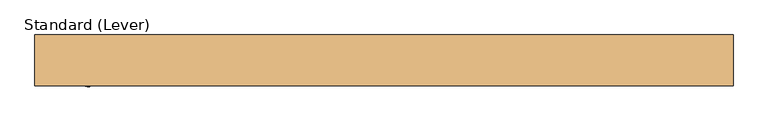
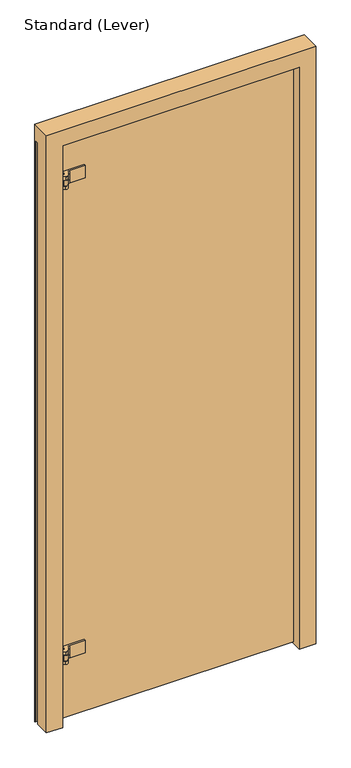
"""IFC4 building model written with IfcOpenShell, lengths in millimetres: door geometry, Standard (Lever)."""

from ifc_helpers import new_model, si_unit, frame, origin, place, context, project, spatial, polyline, circle_curve, outline, extrude, faceted_brep, source, transform, mapped, element, save
from ifc_brep_helpers import plane_surface, cylinder_surface, revolved_surface, advanced_brep


def standard_lever_c66ab9da(model_context):
    return source(origin(), model_context, "Body", "SolidModel", [
        advanced_brep(
        [(-440.3328125, -23.0182831, 2243.1375), (-450.0245, -23.0182831, 2243.1375), (-453.1995, -19.8432831, 2243.1375), (-453.1995, -6.710628, 2243.1375), (-455.19975, -5.5557831, 2243.1375), (-455.19975, 7.1442169, 2243.1375), (-457.2, 7.1442169, 2243.1375), (-457.2, -29.122696, 2243.1375), (-455.6125, -31.8723266, 2243.1375), (-445.29375, -37.8298597, 2243.1375), (-434.4509234, -34.9245331, 2243.1375), (-424.8274856, -18.25625, 2243.1375), (-413.828963, -11.90625, 2243.1375), (-355.6, -11.90625, 2243.1375), (-355.6, -5.55625, 2243.1375), (-438.1500584, -5.55625, 2243.1375), (-440.3404743, -23.0795774, 2230.4375), (-434.4509234, -34.9245331, 2230.4375), (-445.29375, -37.8298597, 2230.4375), (-455.6125, -31.8723266, 2230.4375), (-457.2, -29.122696, 2230.4375), (-457.2, 7.1442169, 2230.4375), (-455.19975, 7.1442169, 2230.4375), (-455.19975, -5.5557831, 2230.4375), (-453.1995, -6.710628, 2230.4375), (-453.1995, -19.8432831, 2230.4375), (-450.0245, -23.0182831, 2230.4375), (-438.1500584, -5.55625, 2192.3375), (-440.3328125, -23.0182831, 2192.3375), (-440.3328125, -23.0182831, 2205.0375), (-440.3404743, -23.0795774, 2206.625), (-440.3404743, -23.0795774, 2228.85), (-355.6, -5.55625, 2192.3375), (-355.6, -11.90625, 2192.3375), (-413.828963, -11.90625, 2230.4375), (-413.828963, -11.90625, 2205.0375), (-413.828963, -11.90625, 2192.3375), (-424.8274856, -18.25625, 2230.4375), (-434.4509234, -34.9245331, 2228.85), (-434.4509234, -34.9245331, 2206.625), (-434.4509234, -34.9245331, 2205.0375), (-434.4509234, -34.9245331, 2192.3375), (-424.8274856, -18.25625, 2192.3375), (-424.8274856, -18.25625, 2205.0375), (-433.3875, -30.9557831, 2228.85), (-433.3875, -30.9557831, 2206.625), (-450.0245, -23.0182831, 2205.0375), (-453.1995, -19.8432831, 2205.0375), (-453.1995, -6.710628, 2205.0375), (-455.19975, -5.5557831, 2205.0375), (-455.19975, 7.1442169, 2205.0375), (-457.2, 7.1442169, 2205.0375), (-457.2, -29.122696, 2205.0375), (-455.6125, -31.8723266, 2205.0375), (-445.29375, -37.8298597, 2205.0375), (-445.29375, -37.8298597, 2192.3375), (-455.6125, -31.8723266, 2192.3375), (-457.2, -29.122696, 2192.3375), (-457.2, 7.1442169, 2192.3375), (-455.19975, 7.1442169, 2192.3375), (-455.19975, -5.5557831, 2192.3375), (-453.1995, -6.710628, 2192.3375), (-453.1995, -19.8432831, 2192.3375), (-450.0245, -23.0182831, 2192.3375), (-449.2625, -30.9557831, 2228.85), (-444.5, -30.9557831, 2228.85), (-438.15, -30.9557831, 2228.85), (-449.2625, -30.9557831, 2206.625), (-444.5, -30.9557831, 2206.625), (-438.15, -30.9557831, 2206.625)],
        [
            (0, 1),
            (1, 2, circle_curve(frame((-450.0245, -19.8432831, 2243.1375), z_axis=(0.0, 0.0, -1.0), x_axis=(-1.0, 0.0, 0.0)), 3.175)),
            (2, 3),
            (3, 4),
            (4, 5),
            (5, 6),
            (6, 7),
            (7, 8, circle_curve(frame((-454.025, -29.122696, 2243.1375), z_axis=(0.0, 0.0, 1.0), x_axis=(-0.5000000000000575, -0.8660254037844055, 0.0)), 3.175)),
            (8, 9),
            (9, 10, circle_curve(frame((-441.325, -30.9557831, 2243.1375), z_axis=(0.0, 0.0, 1.0), x_axis=(0.0, 1.0, 0.0)), 7.9375)),
            (10, 11),
            (11, 12, circle_curve(frame((-413.828963, -24.60625, 2243.1375), z_axis=(0.0, 0.0, -1.0), x_axis=(0.0, 1.0, 0.0)), 12.7)),
            (12, 13),
            (13, 14),
            (14, 15),
            (15, 0),
            (16, 17, circle_curve(frame((-441.325, -30.9557831, 2230.4375), z_axis=(0.0, 0.0, -1.0), x_axis=(0.0, 1.0, 0.0)), 7.9375)),
            (17, 18, circle_curve(frame((-441.325, -30.9557831, 2230.4375), z_axis=(0.0, 0.0, -1.0), x_axis=(0.0, 1.0, 0.0)), 7.9375)),
            (18, 19),
            (19, 20, circle_curve(frame((-454.025, -29.122696, 2230.4375), z_axis=(0.0, 0.0, -1.0), x_axis=(-0.5000000000000575, -0.8660254037844055, 0.0)), 3.175)),
            (20, 21),
            (21, 22),
            (22, 23),
            (23, 24),
            (24, 25),
            (25, 26, circle_curve(frame((-450.0245, -19.8432831, 2230.4375), z_axis=(0.0, 0.0, 1.0), x_axis=(-1.0, 0.0, 0.0)), 3.175)),
            (26, 16),
            (8, 19),
            (18, 9),
            (7, 20),
            (6, 21),
            (5, 22),
            (4, 23),
            (3, 24),
            (2, 25),
            (1, 26),
            (0, 16),
            (15, 27),
            (27, 28),
            (28, 29),
            (29, 30),
            (30, 31),
            (31, 16),
            (14, 32),
            (32, 27),
            (13, 33),
            (33, 32),
            (12, 34),
            (34, 35),
            (35, 36),
            (36, 33),
            (11, 37),
            (37, 34, circle_curve(frame((-413.828963, -24.60625, 2230.4375), z_axis=(0.0, 0.0, -1.0), x_axis=(0.0, 1.0, 0.0)), 12.7)),
            (10, 17),
            (17, 38),
            (38, 39),
            (39, 40),
            (40, 41),
            (41, 42),
            (42, 43),
            (43, 37),
            (43, 35, circle_curve(frame((-413.828963, -24.60625, 2205.0375), z_axis=(0.0, 0.0, -1.0), x_axis=(0.0, 1.0, 0.0)), 12.7)),
            (31, 44, circle_curve(frame((-441.325, -30.9557831, 2228.85), z_axis=(0.0, 0.0, -1.0), x_axis=(0.0, 1.0, 0.0)), 7.9375)),
            (44, 38, circle_curve(frame((-441.325, -30.9557831, 2228.85), z_axis=(0.0, 0.0, -1.0), x_axis=(0.0, 1.0, 0.0)), 7.9375)),
            (39, 45, circle_curve(frame((-441.325, -30.9557831, 2206.625), z_axis=(0.0, 0.0, 1.0), x_axis=(0.0, 1.0, 0.0)), 7.9375)),
            (45, 30, circle_curve(frame((-441.325, -30.9557831, 2206.625), z_axis=(0.0, 0.0, 1.0), x_axis=(0.0, 1.0, 0.0)), 7.9375)),
            (29, 40, circle_curve(frame((-441.325, -30.9557831, 2205.0375), z_axis=(0.0, 0.0, -1.0), x_axis=(0.0, 1.0, 0.0)), 7.9375)),
            (29, 46),
            (46, 47, circle_curve(frame((-450.0245, -19.8432831, 2205.0375), z_axis=(0.0, 0.0, -1.0), x_axis=(-1.0, 0.0, 0.0)), 3.175)),
            (47, 48),
            (48, 49),
            (49, 50),
            (50, 51),
            (51, 52),
            (52, 53, circle_curve(frame((-454.025, -29.122696, 2205.0375), z_axis=(0.0, 0.0, 1.0), x_axis=(-0.5000000000000575, -0.8660254037844055, 0.0)), 3.175)),
            (53, 54),
            (54, 40, circle_curve(frame((-441.325, -30.9557831, 2205.0375), z_axis=(0.0, 0.0, 1.0), x_axis=(0.0, 1.0, 0.0)), 7.9375)),
            (36, 42, circle_curve(frame((-413.828963, -24.60625, 2192.3375), z_axis=(0.0, 0.0, 1.0), x_axis=(0.0, 1.0, 0.0)), 12.7)),
            (41, 55, circle_curve(frame((-441.325, -30.9557831, 2192.3375), z_axis=(0.0, 0.0, -1.0), x_axis=(0.0, 1.0, 0.0)), 7.9375)),
            (55, 56),
            (56, 57, circle_curve(frame((-454.025, -29.122696, 2192.3375), z_axis=(0.0, 0.0, -1.0), x_axis=(-0.5000000000000575, -0.8660254037844055, 0.0)), 3.175)),
            (57, 58),
            (58, 59),
            (59, 60),
            (60, 61),
            (61, 62),
            (62, 63, circle_curve(frame((-450.0245, -19.8432831, 2192.3375), z_axis=(0.0, 0.0, 1.0), x_axis=(-1.0, 0.0, 0.0)), 3.175)),
            (63, 28),
            (54, 55),
            (53, 56),
            (52, 57),
            (51, 58),
            (50, 59),
            (49, 60),
            (48, 61),
            (47, 62),
            (46, 63),
            (64, 38, circle_curve(frame((-441.325, -30.9557831, 2228.85), z_axis=(0.0, 0.0, 1.0), x_axis=(1.0, 0.0, 0.0)), 7.9375)),
            (31, 64, circle_curve(frame((-441.325, -30.9557831, 2228.85), z_axis=(0.0, 0.0, 1.0), x_axis=(1.0, 0.0, 0.0)), 7.9375)),
            (65, 66, circle_curve(frame((-441.325, -30.9557831, 2228.85), z_axis=(0.0, 0.0, -1.0), x_axis=(1.0, 0.0, 0.0)), 3.175)),
            (66, 65, circle_curve(frame((-441.325, -30.9557831, 2228.85), z_axis=(0.0, 0.0, -1.0), x_axis=(1.0, 0.0, 0.0)), 3.175)),
            (39, 67, circle_curve(frame((-441.325, -30.9557831, 2206.625), z_axis=(0.0, 0.0, -1.0), x_axis=(1.0, 0.0, 0.0)), 7.9375)),
            (67, 30, circle_curve(frame((-441.325, -30.9557831, 2206.625), z_axis=(0.0, 0.0, -1.0), x_axis=(1.0, 0.0, 0.0)), 7.9375)),
            (68, 69, circle_curve(frame((-441.325, -30.9557831, 2206.625), z_axis=(0.0, 0.0, 1.0), x_axis=(1.0, 0.0, 0.0)), 3.175)),
            (69, 68, circle_curve(frame((-441.325, -30.9557831, 2206.625), z_axis=(0.0, 0.0, 1.0), x_axis=(1.0, 0.0, 0.0)), 3.175)),
            (66, 69),
            (68, 65),
            (67, 64),
        ],
        [
            plane_surface(frame((-440.3328125, -23.0182831, 2243.1375), z_axis=(0.0, 0.0, 1.0), x_axis=(0.12403473458190235, 0.9922778767145809, 0.0))),
            plane_surface(frame((-440.3328125, -23.0182831, 2230.4375), z_axis=(0.0, 0.0, -1.0), x_axis=(-0.12403473458190235, -0.9922778767145809, 0.0))),
            plane_surface(frame((-445.29375, -37.8298597, 2243.1375), z_axis=(-0.5000000000001321, -0.8660254037843624, 0.0), x_axis=(0.0, 0.0, -1.0))),
            cylinder_surface(frame((-454.025, -29.122696, 2230.4375), z_axis=(0.0, 0.0, 1.0), x_axis=(-0.5000000000000575, -0.8660254037844055, 0.0)), 3.175),
            plane_surface(frame((-457.2, -29.122696, 2243.1375), z_axis=(-1.0, 0.0, 0.0), x_axis=(0.0, 0.0, -1.0))),
            plane_surface(frame((-457.2, 7.1442169, 2243.1375), z_axis=(0.0, 1.0, 0.0), x_axis=(0.0, 0.0, -1.0))),
            plane_surface(frame((-455.19975, 7.1442169, 2243.1375), z_axis=(1.0, 0.0, 0.0), x_axis=(0.0, 0.0, -1.0))),
            plane_surface(frame((-455.19975, -5.5557831, 2243.1375), z_axis=(0.4999999999997088, 0.8660254037846068, 0.0), x_axis=(0.0, 0.0, -1.0))),
            plane_surface(frame((-453.1995, -6.710628, 2243.1375), z_axis=(1.0, 0.0, 0.0), x_axis=(0.0, 0.0, -1.0))),
            revolved_surface(polyline([(-453.1995, -19.8432831, 2230.4375), (-453.1995, -19.8432831, 2243.1375)]), (-450.0245, -19.8432831, 2230.4375), (0.0, 0.0, -1.0)),
            plane_surface(frame((-450.0245, -23.0182831, 2243.1375), z_axis=(0.0, 1.0, 0.0), x_axis=(0.0, 0.0, -1.0))),
            plane_surface(frame((-440.3328125, -23.0182831, 2243.1375), z_axis=(-0.9922778767145809, 0.12403473458190235, 0.0), x_axis=(0.0, 0.0, -1.0))),
            plane_surface(frame((-438.1500584, -5.55625, 2243.1375), z_axis=(0.0, 1.0, 0.0), x_axis=(0.0, 0.0, -1.0))),
            plane_surface(frame((-355.6, -5.55625, 2243.1375), z_axis=(1.0, 0.0, 0.0), x_axis=(0.0, 0.0, -1.0))),
            plane_surface(frame((-355.6, -11.90625, 2243.1375), z_axis=(0.0, -1.0, 0.0), x_axis=(0.0, 0.0, -1.0))),
            revolved_surface(polyline([(-413.828963, -11.90625, 2230.4375), (-413.828963, -11.90625, 2243.1375)]), (-413.828963, -24.60625, 2230.4375), (0.0, 0.0, -1.0)),
            plane_surface(frame((-424.8274856, -18.25625, 2243.1375), z_axis=(0.8660254037845987, -0.49999999999972294, 0.0), x_axis=(0.0, 0.0, -1.0))),
            cylinder_surface(frame((-441.325, -30.9557831, 2230.4375), z_axis=(0.0, 0.0, 1.0), x_axis=(0.0, 1.0, 0.0)), 7.9375),
            revolved_surface(polyline([(-413.828963, -11.90625, 2205.0375), (-413.828963, -11.90625, 2230.4375)]), (-413.828963, -24.60625, 2205.0375), (0.0, 0.0, -1.0)),
            revolved_surface(polyline([(-441.325, -23.0182831, 2228.85), (-441.325, -23.0182831, 2230.4375)]), (-441.325, -30.9557831, 2205.0375), (0.0, 0.0, -1.0)),
            revolved_surface(polyline([(-441.325, -23.0182831, 2205.0375), (-441.325, -23.0182831, 2206.625)]), (-441.325, -30.9557831, 2205.0375), (0.0, 0.0, -1.0)),
            plane_surface(frame((-440.3404743, -23.0795774, 2205.0375), z_axis=(0.0, 0.0, 1.0), x_axis=(0.1240347345819024, 0.9922778767145809, 0.0))),
            plane_surface(frame((-440.3404743, -23.0795774, 2192.3375), z_axis=(0.0, 0.0, -1.0), x_axis=(-0.1240347345819024, -0.9922778767145809, 0.0))),
            cylinder_surface(frame((-441.325, -30.9557831, 2192.3375), z_axis=(0.0, 0.0, 1.0), x_axis=(0.0, 1.0, 0.0)), 7.9375),
            plane_surface(frame((-445.29375, -37.8298597, 2205.0375), z_axis=(-0.500000000000132, -0.8660254037843624, 0.0), x_axis=(0.0, 0.0, -1.0))),
            cylinder_surface(frame((-454.025, -29.122696, 2192.3375), z_axis=(0.0, 0.0, 1.0), x_axis=(-0.5000000000000575, -0.8660254037844055, 0.0)), 3.175),
            plane_surface(frame((-457.2, -29.122696, 2205.0375), z_axis=(-1.0, 0.0, 0.0), x_axis=(0.0, 0.0, -1.0))),
            plane_surface(frame((-457.2, 7.1442169, 2205.0375), z_axis=(0.0, 1.0, 0.0), x_axis=(0.0, 0.0, -1.0))),
            plane_surface(frame((-455.19975, 7.1442169, 2205.0375), z_axis=(1.0, 0.0, 0.0), x_axis=(0.0, 0.0, -1.0))),
            plane_surface(frame((-455.19975, -5.5557831, 2205.0375), z_axis=(0.4999999999997088, 0.8660254037846068, 0.0), x_axis=(0.0, 0.0, -1.0))),
            plane_surface(frame((-453.1995, -6.710628, 2205.0375), z_axis=(1.0, 0.0, 0.0), x_axis=(0.0, 0.0, -1.0))),
            revolved_surface(polyline([(-453.1995, -19.8432831, 2192.3375), (-453.1995, -19.8432831, 2205.0375)]), (-450.0245, -19.8432831, 2192.3375), (0.0, 0.0, -1.0)),
            plane_surface(frame((-450.0245, -23.0182831, 2205.0375), z_axis=(0.0, 1.0, 0.0), x_axis=(0.0, 0.0, -1.0))),
            revolved_surface(polyline([(-413.828963, -11.90625, 2192.3375), (-413.828963, -11.90625, 2205.0375)]), (-413.828963, -24.60625, 2192.3375), (0.0, 0.0, -1.0)),
            plane_surface(frame((-438.15, -30.9557831, 2228.85), z_axis=(0.0, 0.0, 1.0), x_axis=(0.0, 1.0, 0.0))),
            plane_surface(frame((-438.15, -30.9557831, 2206.625), z_axis=(0.0, 0.0, -1.0), x_axis=(0.0, -1.0, 0.0))),
            revolved_surface(polyline([(-438.15, -30.9557831, 2206.625), (-438.15, -30.9557831, 2228.85)]), (-441.325, -30.9557831, 2206.625), (0.0, 0.0, -1.0)),
            cylinder_surface(frame((-441.325, -30.9557831, 2192.3375), z_axis=(0.0, 0.0, 1.0), x_axis=(1.0, 0.0, 0.0)), 7.9375),
        ],
        [
            (0, [[1, 2, 3, 4, 5, 6, 7, 8, 9, 10, 11, 12, 13, 14, 15, 16]]),
            (1, [[17, 18, 19, 20, 21, 22, 23, 24, 25, 26, 27]]),
            (2, [[28, -19, 29, -9]]),
            (3, [[30, -20, -28, -8]]),
            (4, [[31, -21, -30, -7]]),
            (5, [[32, -22, -31, -6]]),
            (6, [[33, -23, -32, -5]]),
            (7, [[34, -24, -33, -4]]),
            (8, [[35, -25, -34, -3]]),
            (9, [[36, -26, -35, -2]]),
            (10, [[37, -27, -36, -1]]),
            (11, [[38, 39, 40, 41, 42, 43, -37, -16]]),
            (12, [[44, 45, -38, -15]]),
            (13, [[46, 47, -44, -14]]),
            (14, [[48, 49, 50, 51, -46, -13]]),
            (15, [[52, 53, -48, -12]]),
            (16, [[54, 55, 56, 57, 58, 59, 60, 61, -52, -11]]),
            (17, [[-29, -18, -54, -10]]),
            (18, [[-53, -61, 62, -49]]),
            (19, [[-43, 63, 64, -55, -17]]),
            (20, [[-57, 65, 66, -41, 67]]),
            (21, [[-67, 68, 69, 70, 71, 72, 73, 74, 75, 76, 77]]),
            (22, [[-39, -45, -47, -51, 78, -59, 79, 80, 81, 82, 83, 84, 85, 86, 87, 88]]),
            (23, [[89, -79, -58, -77]]),
            (24, [[90, -80, -89, -76]]),
            (25, [[91, -81, -90, -75]]),
            (26, [[92, -82, -91, -74]]),
            (27, [[93, -83, -92, -73]]),
            (28, [[94, -84, -93, -72]]),
            (29, [[95, -85, -94, -71]]),
            (30, [[96, -86, -95, -70]]),
            (31, [[97, -87, -96, -69]]),
            (32, [[-40, -88, -97, -68]]),
            (33, [[-50, -62, -60, -78]]),
            (34, [[98, -64, -63, 99], [100, 101]]),
            (35, [[-66, -65, 102, 103], [104, 105]]),
            (36, [[106, -104, 107, -101]]),
            (36, [[-107, -105, -106, -100]]),
            (37, [[-99, -42, -103, 108]]),
            (37, [[-102, -56, -98, -108]]),
        ],
    ),
        extrude(outline(polyline([(-355.6, 13.49375), (-355.6, 7.14375), (-438.15, 7.14375), (-438.15, 13.49375), (-355.6, 13.49375)])), frame((0.0, 0.0, 2192.3375), z_axis=(0.0, 0.0, 1.0), x_axis=(1.0, 0.0, 0.0)), (0.0, 0.0, 1.0), 50.8),
        advanced_brep(
        [(-440.3328125, -23.0182831, 304.8), (-450.0245, -23.0182831, 304.8), (-453.1995, -19.8432831, 304.8), (-453.1995, -6.710628, 304.8), (-455.19975, -5.5557831, 304.8), (-455.19975, 7.1442169, 304.8), (-457.2, 7.1442169, 304.8), (-457.2, -29.122696, 304.8), (-455.6125, -31.8723266, 304.8), (-445.29375, -37.8298597, 304.8), (-434.4509234, -34.9245331, 304.8), (-424.8274856, -18.25625, 304.8), (-413.828963, -11.90625, 304.8), (-355.6, -11.90625, 304.8), (-355.6, -5.55625, 304.8), (-438.1500584, -5.55625, 304.8), (-440.3404743, -23.0795774, 292.1), (-434.4509234, -34.9245331, 292.1), (-445.29375, -37.8298597, 292.1), (-455.6125, -31.8723266, 292.1), (-457.2, -29.122696, 292.1), (-457.2, 7.1442169, 292.1), (-455.19975, 7.1442169, 292.1), (-455.19975, -5.5557831, 292.1), (-453.1995, -6.710628, 292.1), (-453.1995, -19.8432831, 292.1), (-450.0245, -23.0182831, 292.1), (-438.1500584, -5.55625, 254.0), (-440.3328125, -23.0182831, 254.0), (-440.3328125, -23.0182831, 266.7), (-440.3404743, -23.0795774, 268.2875), (-440.3404743, -23.0795774, 290.5125), (-355.6, -5.55625, 254.0), (-355.6, -11.90625, 254.0), (-413.828963, -11.90625, 292.1), (-413.828963, -11.90625, 266.7), (-413.828963, -11.90625, 254.0), (-424.8274856, -18.25625, 292.1), (-434.4509234, -34.9245331, 290.5125), (-434.4509234, -34.9245331, 268.2875), (-434.4509234, -34.9245331, 266.7), (-434.4509234, -34.9245331, 254.0), (-424.8274856, -18.25625, 254.0), (-424.8274856, -18.25625, 266.7), (-433.3875, -30.9557831, 290.5125), (-433.3875, -30.9557831, 268.2875), (-450.0245, -23.0182831, 266.7), (-453.1995, -19.8432831, 266.7), (-453.1995, -6.710628, 266.7), (-455.19975, -5.5557831, 266.7), (-455.19975, 7.1442169, 266.7), (-457.2, 7.1442169, 266.7), (-457.2, -29.122696, 266.7), (-455.6125, -31.8723266, 266.7), (-445.29375, -37.8298597, 266.7), (-445.29375, -37.8298597, 254.0), (-455.6125, -31.8723266, 254.0), (-457.2, -29.122696, 254.0), (-457.2, 7.1442169, 254.0), (-455.19975, 7.1442169, 254.0), (-455.19975, -5.5557831, 254.0), (-453.1995, -6.710628, 254.0), (-453.1995, -19.8432831, 254.0), (-450.0245, -23.0182831, 254.0), (-449.2625, -30.9557831, 290.5125), (-444.5, -30.9557831, 290.5125), (-438.15, -30.9557831, 290.5125), (-449.2625, -30.9557831, 268.2875), (-444.5, -30.9557831, 268.2875), (-438.15, -30.9557831, 268.2875)],
        [
            (0, 1),
            (1, 2, circle_curve(frame((-450.0245, -19.8432831, 304.8), z_axis=(0.0, 0.0, -1.0), x_axis=(-1.0, 0.0, 0.0)), 3.175)),
            (2, 3),
            (3, 4),
            (4, 5),
            (5, 6),
            (6, 7),
            (7, 8, circle_curve(frame((-454.025, -29.122696, 304.8), z_axis=(0.0, 0.0, 1.0), x_axis=(-0.5000000000000575, -0.8660254037844055, 0.0)), 3.175)),
            (8, 9),
            (9, 10, circle_curve(frame((-441.325, -30.9557831, 304.8), z_axis=(0.0, 0.0, 1.0), x_axis=(0.0, 1.0, 0.0)), 7.9375)),
            (10, 11),
            (11, 12, circle_curve(frame((-413.828963, -24.60625, 304.8), z_axis=(0.0, 0.0, -1.0), x_axis=(0.0, 1.0, 0.0)), 12.7)),
            (12, 13),
            (13, 14),
            (14, 15),
            (15, 0),
            (16, 17, circle_curve(frame((-441.325, -30.9557831, 292.1), z_axis=(0.0, 0.0, -1.0), x_axis=(0.0, 1.0, 0.0)), 7.9375)),
            (17, 18, circle_curve(frame((-441.325, -30.9557831, 292.1), z_axis=(0.0, 0.0, -1.0), x_axis=(0.0, 1.0, 0.0)), 7.9375)),
            (18, 19),
            (19, 20, circle_curve(frame((-454.025, -29.122696, 292.1), z_axis=(0.0, 0.0, -1.0), x_axis=(-0.5000000000000575, -0.8660254037844055, 0.0)), 3.175)),
            (20, 21),
            (21, 22),
            (22, 23),
            (23, 24),
            (24, 25),
            (25, 26, circle_curve(frame((-450.0245, -19.8432831, 292.1), z_axis=(0.0, 0.0, 1.0), x_axis=(-1.0, 0.0, 0.0)), 3.175)),
            (26, 16),
            (8, 19),
            (18, 9),
            (7, 20),
            (6, 21),
            (5, 22),
            (4, 23),
            (3, 24),
            (2, 25),
            (1, 26),
            (0, 16),
            (15, 27),
            (27, 28),
            (28, 29),
            (29, 30),
            (30, 31),
            (31, 16),
            (14, 32),
            (32, 27),
            (13, 33),
            (33, 32),
            (12, 34),
            (34, 35),
            (35, 36),
            (36, 33),
            (11, 37),
            (37, 34, circle_curve(frame((-413.828963, -24.60625, 292.1), z_axis=(0.0, 0.0, -1.0), x_axis=(0.0, 1.0, 0.0)), 12.7)),
            (10, 17),
            (17, 38),
            (38, 39),
            (39, 40),
            (40, 41),
            (41, 42),
            (42, 43),
            (43, 37),
            (43, 35, circle_curve(frame((-413.828963, -24.60625, 266.7), z_axis=(0.0, 0.0, -1.0), x_axis=(0.0, 1.0, 0.0)), 12.7)),
            (31, 44, circle_curve(frame((-441.325, -30.9557831, 290.5125), z_axis=(0.0, 0.0, -1.0), x_axis=(0.0, 1.0, 0.0)), 7.9375)),
            (44, 38, circle_curve(frame((-441.325, -30.9557831, 290.5125), z_axis=(0.0, 0.0, -1.0), x_axis=(0.0, 1.0, 0.0)), 7.9375)),
            (39, 45, circle_curve(frame((-441.325, -30.9557831, 268.2875), z_axis=(0.0, 0.0, 1.0), x_axis=(0.0, 1.0, 0.0)), 7.9375)),
            (45, 30, circle_curve(frame((-441.325, -30.9557831, 268.2875), z_axis=(0.0, 0.0, 1.0), x_axis=(0.0, 1.0, 0.0)), 7.9375)),
            (29, 40, circle_curve(frame((-441.325, -30.9557831, 266.7), z_axis=(0.0, 0.0, -1.0), x_axis=(0.0, 1.0, 0.0)), 7.9375)),
            (29, 46),
            (46, 47, circle_curve(frame((-450.0245, -19.8432831, 266.7), z_axis=(0.0, 0.0, -1.0), x_axis=(-1.0, 0.0, 0.0)), 3.175)),
            (47, 48),
            (48, 49),
            (49, 50),
            (50, 51),
            (51, 52),
            (52, 53, circle_curve(frame((-454.025, -29.122696, 266.7), z_axis=(0.0, 0.0, 1.0), x_axis=(-0.5000000000000575, -0.8660254037844055, 0.0)), 3.175)),
            (53, 54),
            (54, 40, circle_curve(frame((-441.325, -30.9557831, 266.7), z_axis=(0.0, 0.0, 1.0), x_axis=(0.0, 1.0, 0.0)), 7.9375)),
            (36, 42, circle_curve(frame((-413.828963, -24.60625, 254.0), z_axis=(0.0, 0.0, 1.0), x_axis=(0.0, 1.0, 0.0)), 12.7)),
            (41, 55, circle_curve(frame((-441.325, -30.9557831, 254.0), z_axis=(0.0, 0.0, -1.0), x_axis=(0.0, 1.0, 0.0)), 7.9375)),
            (55, 56),
            (56, 57, circle_curve(frame((-454.025, -29.122696, 254.0), z_axis=(0.0, 0.0, -1.0), x_axis=(-0.5000000000000575, -0.8660254037844055, 0.0)), 3.175)),
            (57, 58),
            (58, 59),
            (59, 60),
            (60, 61),
            (61, 62),
            (62, 63, circle_curve(frame((-450.0245, -19.8432831, 254.0), z_axis=(0.0, 0.0, 1.0), x_axis=(-1.0, 0.0, 0.0)), 3.175)),
            (63, 28),
            (54, 55),
            (53, 56),
            (52, 57),
            (51, 58),
            (50, 59),
            (49, 60),
            (48, 61),
            (47, 62),
            (46, 63),
            (64, 38, circle_curve(frame((-441.325, -30.9557831, 290.5125), z_axis=(0.0, 0.0, 1.0), x_axis=(1.0, 0.0, 0.0)), 7.9375)),
            (31, 64, circle_curve(frame((-441.325, -30.9557831, 290.5125), z_axis=(0.0, 0.0, 1.0), x_axis=(1.0, 0.0, 0.0)), 7.9375)),
            (65, 66, circle_curve(frame((-441.325, -30.9557831, 290.5125), z_axis=(0.0, 0.0, -1.0), x_axis=(1.0, 0.0, 0.0)), 3.175)),
            (66, 65, circle_curve(frame((-441.325, -30.9557831, 290.5125), z_axis=(0.0, 0.0, -1.0), x_axis=(1.0, 0.0, 0.0)), 3.175)),
            (39, 67, circle_curve(frame((-441.325, -30.9557831, 268.2875), z_axis=(0.0, 0.0, -1.0), x_axis=(1.0, 0.0, 0.0)), 7.9375)),
            (67, 30, circle_curve(frame((-441.325, -30.9557831, 268.2875), z_axis=(0.0, 0.0, -1.0), x_axis=(1.0, 0.0, 0.0)), 7.9375)),
            (68, 69, circle_curve(frame((-441.325, -30.9557831, 268.2875), z_axis=(0.0, 0.0, 1.0), x_axis=(1.0, 0.0, 0.0)), 3.175)),
            (69, 68, circle_curve(frame((-441.325, -30.9557831, 268.2875), z_axis=(0.0, 0.0, 1.0), x_axis=(1.0, 0.0, 0.0)), 3.175)),
            (66, 69),
            (68, 65),
            (67, 64),
        ],
        [
            plane_surface(frame((-440.3328125, -23.0182831, 304.8), z_axis=(0.0, 0.0, 1.0), x_axis=(0.12403473458190235, 0.9922778767145809, 0.0))),
            plane_surface(frame((-440.3328125, -23.0182831, 292.1), z_axis=(0.0, 0.0, -1.0), x_axis=(-0.12403473458190235, -0.9922778767145809, 0.0))),
            plane_surface(frame((-445.29375, -37.8298597, 304.8), z_axis=(-0.5000000000001321, -0.8660254037843624, 0.0), x_axis=(0.0, 0.0, -1.0))),
            cylinder_surface(frame((-454.025, -29.122696, 292.1), z_axis=(0.0, 0.0, 1.0), x_axis=(-0.5000000000000575, -0.8660254037844055, 0.0)), 3.175),
            plane_surface(frame((-457.2, -29.122696, 304.8), z_axis=(-1.0, 0.0, 0.0), x_axis=(0.0, 0.0, -1.0))),
            plane_surface(frame((-457.2, 7.1442169, 304.8), z_axis=(0.0, 1.0, 0.0), x_axis=(0.0, 0.0, -1.0))),
            plane_surface(frame((-455.19975, 7.1442169, 304.8), z_axis=(1.0, 0.0, 0.0), x_axis=(0.0, 0.0, -1.0))),
            plane_surface(frame((-455.19975, -5.5557831, 304.8), z_axis=(0.4999999999997088, 0.8660254037846068, 0.0), x_axis=(0.0, 0.0, -1.0))),
            plane_surface(frame((-453.1995, -6.710628, 304.8), z_axis=(1.0, 0.0, 0.0), x_axis=(0.0, 0.0, -1.0))),
            revolved_surface(polyline([(-453.1995, -19.8432831, 292.1), (-453.1995, -19.8432831, 304.8)]), (-450.0245, -19.8432831, 292.1), (0.0, 0.0, -1.0)),
            plane_surface(frame((-450.0245, -23.0182831, 304.8), z_axis=(0.0, 1.0, 0.0), x_axis=(0.0, 0.0, -1.0))),
            plane_surface(frame((-440.3328125, -23.0182831, 304.8), z_axis=(-0.9922778767145809, 0.12403473458190235, 0.0), x_axis=(0.0, 0.0, -1.0))),
            plane_surface(frame((-438.1500584, -5.55625, 304.8), z_axis=(0.0, 1.0, 0.0), x_axis=(0.0, 0.0, -1.0))),
            plane_surface(frame((-355.6, -5.55625, 304.8), z_axis=(1.0, 0.0, 0.0), x_axis=(0.0, 0.0, -1.0))),
            plane_surface(frame((-355.6, -11.90625, 304.8), z_axis=(0.0, -1.0, 0.0), x_axis=(0.0, 0.0, -1.0))),
            revolved_surface(polyline([(-413.828963, -11.90625, 292.1), (-413.828963, -11.90625, 304.8)]), (-413.828963, -24.60625, 292.1), (0.0, 0.0, -1.0)),
            plane_surface(frame((-424.8274856, -18.25625, 304.8), z_axis=(0.8660254037845987, -0.49999999999972294, 0.0), x_axis=(0.0, 0.0, -1.0))),
            cylinder_surface(frame((-441.325, -30.9557831, 292.1), z_axis=(0.0, 0.0, 1.0), x_axis=(0.0, 1.0, 0.0)), 7.9375),
            revolved_surface(polyline([(-413.828963, -11.90625, 266.7), (-413.828963, -11.90625, 292.1)]), (-413.828963, -24.60625, 266.7), (0.0, 0.0, -1.0)),
            revolved_surface(polyline([(-441.325, -23.0182831, 290.5125), (-441.325, -23.0182831, 292.1)]), (-441.325, -30.9557831, 266.7), (0.0, 0.0, -1.0)),
            revolved_surface(polyline([(-441.325, -23.0182831, 266.7), (-441.325, -23.0182831, 268.2875)]), (-441.325, -30.9557831, 266.7), (0.0, 0.0, -1.0)),
            plane_surface(frame((-440.3404743, -23.0795774, 266.7), z_axis=(0.0, 0.0, 1.0), x_axis=(0.1240347345819024, 0.9922778767145809, 0.0))),
            plane_surface(frame((-440.3404743, -23.0795774, 254.0), z_axis=(0.0, 0.0, -1.0), x_axis=(-0.1240347345819024, -0.9922778767145809, 0.0))),
            cylinder_surface(frame((-441.325, -30.9557831, 254.0), z_axis=(0.0, 0.0, 1.0), x_axis=(0.0, 1.0, 0.0)), 7.9375),
            plane_surface(frame((-445.29375, -37.8298597, 266.7), z_axis=(-0.500000000000132, -0.8660254037843624, 0.0), x_axis=(0.0, 0.0, -1.0))),
            cylinder_surface(frame((-454.025, -29.122696, 254.0), z_axis=(0.0, 0.0, 1.0), x_axis=(-0.5000000000000575, -0.8660254037844055, 0.0)), 3.175),
            plane_surface(frame((-457.2, -29.122696, 266.7), z_axis=(-1.0, 0.0, 0.0), x_axis=(0.0, 0.0, -1.0))),
            plane_surface(frame((-457.2, 7.1442169, 266.7), z_axis=(0.0, 1.0, 0.0), x_axis=(0.0, 0.0, -1.0))),
            plane_surface(frame((-455.19975, 7.1442169, 266.7), z_axis=(1.0, 0.0, 0.0), x_axis=(0.0, 0.0, -1.0))),
            plane_surface(frame((-455.19975, -5.5557831, 266.7), z_axis=(0.4999999999997088, 0.8660254037846068, 0.0), x_axis=(0.0, 0.0, -1.0))),
            plane_surface(frame((-453.1995, -6.710628, 266.7), z_axis=(1.0, 0.0, 0.0), x_axis=(0.0, 0.0, -1.0))),
            revolved_surface(polyline([(-453.1995, -19.8432831, 254.0), (-453.1995, -19.8432831, 266.7)]), (-450.0245, -19.8432831, 254.0), (0.0, 0.0, -1.0)),
            plane_surface(frame((-450.0245, -23.0182831, 266.7), z_axis=(0.0, 1.0, 0.0), x_axis=(0.0, 0.0, -1.0))),
            revolved_surface(polyline([(-413.828963, -11.90625, 254.0), (-413.828963, -11.90625, 266.7)]), (-413.828963, -24.60625, 254.0), (0.0, 0.0, -1.0)),
            plane_surface(frame((-438.15, -30.9557831, 290.5125), z_axis=(0.0, 0.0, 1.0), x_axis=(0.0, 1.0, 0.0))),
            plane_surface(frame((-438.15, -30.9557831, 268.2875), z_axis=(0.0, 0.0, -1.0), x_axis=(0.0, -1.0, 0.0))),
            revolved_surface(polyline([(-438.15, -30.9557831, 268.2875), (-438.15, -30.9557831, 290.5125)]), (-441.325, -30.9557831, 268.2875), (0.0, 0.0, -1.0)),
            cylinder_surface(frame((-441.325, -30.9557831, 254.0), z_axis=(0.0, 0.0, 1.0), x_axis=(1.0, 0.0, 0.0)), 7.9375),
        ],
        [
            (0, [[1, 2, 3, 4, 5, 6, 7, 8, 9, 10, 11, 12, 13, 14, 15, 16]]),
            (1, [[17, 18, 19, 20, 21, 22, 23, 24, 25, 26, 27]]),
            (2, [[28, -19, 29, -9]]),
            (3, [[30, -20, -28, -8]]),
            (4, [[31, -21, -30, -7]]),
            (5, [[32, -22, -31, -6]]),
            (6, [[33, -23, -32, -5]]),
            (7, [[34, -24, -33, -4]]),
            (8, [[35, -25, -34, -3]]),
            (9, [[36, -26, -35, -2]]),
            (10, [[37, -27, -36, -1]]),
            (11, [[38, 39, 40, 41, 42, 43, -37, -16]]),
            (12, [[44, 45, -38, -15]]),
            (13, [[46, 47, -44, -14]]),
            (14, [[48, 49, 50, 51, -46, -13]]),
            (15, [[52, 53, -48, -12]]),
            (16, [[54, 55, 56, 57, 58, 59, 60, 61, -52, -11]]),
            (17, [[-29, -18, -54, -10]]),
            (18, [[-53, -61, 62, -49]]),
            (19, [[-43, 63, 64, -55, -17]]),
            (20, [[-57, 65, 66, -41, 67]]),
            (21, [[-67, 68, 69, 70, 71, 72, 73, 74, 75, 76, 77]]),
            (22, [[-39, -45, -47, -51, 78, -59, 79, 80, 81, 82, 83, 84, 85, 86, 87, 88]]),
            (23, [[89, -79, -58, -77]]),
            (24, [[90, -80, -89, -76]]),
            (25, [[91, -81, -90, -75]]),
            (26, [[92, -82, -91, -74]]),
            (27, [[93, -83, -92, -73]]),
            (28, [[94, -84, -93, -72]]),
            (29, [[95, -85, -94, -71]]),
            (30, [[96, -86, -95, -70]]),
            (31, [[97, -87, -96, -69]]),
            (32, [[-40, -88, -97, -68]]),
            (33, [[-50, -62, -60, -78]]),
            (34, [[98, -64, -63, 99], [100, 101]]),
            (35, [[-66, -65, 102, 103], [104, 105]]),
            (36, [[106, -104, 107, -101]]),
            (36, [[-107, -105, -106, -100]]),
            (37, [[-99, -42, -103, 108]]),
            (37, [[-102, -56, -98, -108]]),
        ],
    ),
        extrude(outline(polyline([(-355.6, 13.49375), (-355.6, 7.14375), (-438.15, 7.14375), (-438.15, 13.49375), (-355.6, 13.49375)])), frame((0.0, 0.0, 254.0), z_axis=(0.0, 0.0, 1.0), x_axis=(1.0, 0.0, 0.0)), (0.0, 0.0, 1.0), 50.8),
        extrude(outline(polyline([(452.4375, 7.14375), (452.4375, -5.55625), (-452.4375, -5.55625), (-452.4375, 7.14375), (452.4375, 7.14375)])), frame((0.0, 0.0, 12.7), z_axis=(0.0, 0.0, 1.0), x_axis=(1.0, 0.0, 0.0)), (0.0, 0.0, 1.0), 2357.4375),
        faceted_brep([(457.2, 12.7, 0.0), (452.4375, 12.7, 0.0), (452.4375, 9.525, 0.0), (450.05625, 9.525, 0.0), (450.05625, 10.31875, 0.0), (450.85, 10.31875, 0.0), (450.85, 12.7, 0.0), (444.5, 12.7, 0.0), (444.5, 10.31875, 0.0), (445.29375, 10.31875, 0.0), (445.29375, 9.525, 0.0), (442.9125, 9.525, 0.0), (442.9125, 14.2875, 0.0), (457.2, 14.2875, 0.0), (457.2, 38.1, 0.0), (520.6999977, 38.1, 0.0), (520.6999977, 36.5125, 0.0), (519.1124977, 36.5125, 0.0), (519.1124977, 37.30625, 0.0), (488.95, 37.30625, 0.0), (488.95, 19.05, 0.0), (510.3742434, 19.05, 0.0), (511.374256, 18.0499874, 0.0), (509.8000186, 18.0499874, 0.0), (509.8000186, 16.24994, 0.0), (514.8000134, 16.24994, 0.0), (514.8000134, 18.0499874, 0.0), (513.2257405, 18.0499874, 0.0), (514.2257562, 19.0500031, 0.0), (520.7, 19.0500031, 0.0), (520.7, -38.1, 0.0), (457.2, -38.1, 0.0), (520.7, 38.1, 2438.4), (520.7, -38.1, 2438.4), (520.7, 19.0500031, 2374.9), (520.7, 36.5125, 2374.9), (-520.6999977, 38.1, 0.0), (-520.7, 38.1, 2438.4), (457.2, 38.1, 2374.9), (-457.2, 38.1, 2374.9), (-457.2, 38.1, 0.0), (-520.7, -38.1, 2438.4), (-520.7, -38.1, 0.0), (-457.2, -38.1, 0.0), (-457.2, -38.1, 2374.9), (457.2, -38.1, 2374.9), (514.2257562, 19.0500031, 2374.9), (519.1124977, 36.5125, 2374.9), (-457.2, 12.7, 0.0), (-520.7, 19.0500031, 0.0), (-514.2257562, 19.0500031, 0.0), (-513.2257405, 18.0499874, 0.0), (-514.8000134, 18.0499874, 0.0), (-514.8000134, 16.24994, 0.0), (-509.8000186, 16.24994, 0.0), (-509.8000186, 18.0499874, 0.0), (-511.374256, 18.0499874, 0.0), (-510.3742434, 19.05, 0.0), (-488.95, 19.05, 0.0), (-488.95, 37.30625, 0.0), (-519.1124977, 37.30625, 0.0), (-519.1124977, 36.5125, 0.0), (-520.6999977, 36.5125, 0.0), (-457.2, 14.2875, 0.0), (-442.9125, 14.2875, 0.0), (-442.9125, 9.525, 0.0), (-445.29375, 9.525, 0.0), (-445.29375, 10.31875, 0.0), (-444.5, 10.31875, 0.0), (-444.5, 12.7, 0.0), (-450.85, 12.7, 0.0), (-450.85, 10.31875, 0.0), (-450.05625, 10.31875, 0.0), (-450.05625, 9.525, 0.0), (-452.4375, 9.525, 0.0), (-452.4375, 12.7, 0.0), (-520.7, 36.5125, 2374.9), (-520.7, 19.0500031, 2374.9), (-519.1124977, 36.5125, 2374.9), (-514.2257562, 19.0500031, 2374.9), (457.2, 14.2875, 2374.9), (-457.2, 14.2875, 2374.9), (457.2, 12.7, 2360.6125), (452.4375, 12.7, 2360.6125), (452.4375, 9.525, 2360.6125), (452.4375, 9.525, 2367.75625), (452.4375, 9.525, 2362.99375), (452.4375, 10.31875, 2362.99375), (452.4375, 10.31875, 2362.2), (452.4375, 12.7, 2362.2), (452.4375, 12.7, 2368.55), (452.4375, 10.31875, 2368.55), (452.4375, 10.31875, 2367.75625), (452.4375, 9.525, 2374.9), (452.4375, 9.525, 2370.1375), (452.4375, 12.7, 2370.1375), (452.4375, 12.7, 2374.9), (457.2, 9.525, 2360.6125), (457.2, 9.525, 2362.99375), (457.2, 9.525, 2367.75625), (457.2, 9.525, 2370.1375), (450.05625, 9.525, 2374.9), (450.05625, 9.525, 2370.1375), (445.29375, 9.525, 2370.1375), (445.29375, 9.525, 2374.9), (442.9125, 9.525, 2374.9), (442.9125, 9.525, 2370.1375), (-442.9125, 9.525, 2370.1375), (-442.9125, 9.525, 2374.9), (-445.29375, 9.525, 2374.9), (-445.29375, 9.525, 2370.1375), (-450.05625, 9.525, 2370.1375), (-450.05625, 9.525, 2374.9), (-452.4375, 9.525, 2374.9), (-452.4375, 9.525, 2370.1375), (-457.2, 9.525, 2370.1375), (-457.2, 9.525, 2367.75625), (-452.4375, 9.525, 2367.75625), (-452.4375, 9.525, 2362.99375), (-457.2, 9.525, 2362.99375), (-457.2, 9.525, 2360.6125), (-452.4375, 9.525, 2360.6125), (-450.05625, 9.525, 2360.6125), (-445.29375, 9.525, 2360.6125), (-442.9125, 9.525, 2360.6125), (442.9125, 9.525, 2360.6125), (445.29375, 9.525, 2360.6125), (450.05625, 9.525, 2360.6125), (445.29375, 9.525, 2367.75625), (450.05625, 9.525, 2367.75625), (450.05625, 9.525, 2362.99375), (445.29375, 9.525, 2362.99375), (442.9125, 9.525, 2362.99375), (-442.9125, 9.525, 2362.99375), (-442.9125, 9.525, 2367.75625), (442.9125, 9.525, 2367.75625), (-445.29375, 9.525, 2362.99375), (-450.05625, 9.525, 2362.99375), (-450.05625, 9.525, 2367.75625), (-445.29375, 9.525, 2367.75625), (450.05625, 10.31875, 2360.6125), (450.05625, 10.31875, 2367.75625), (450.05625, 10.31875, 2362.99375), (450.05625, 10.31875, 2374.9), (450.05625, 10.31875, 2370.1375), (450.85, 10.31875, 2360.6125), (444.5, 10.31875, 2360.6125), (445.29375, 10.31875, 2360.6125), (-445.29375, 10.31875, 2360.6125), (-444.5, 10.31875, 2360.6125), (-450.85, 10.31875, 2360.6125), (-450.05625, 10.31875, 2360.6125), (457.2, 10.31875, 2367.75625), (457.2, 10.31875, 2368.55), (-452.4375, 10.31875, 2367.75625), (-457.2, 10.31875, 2367.75625), (-457.2, 10.31875, 2368.55), (-452.4375, 10.31875, 2368.55), (457.2, 10.31875, 2362.2), (457.2, 10.31875, 2362.99375), (445.29375, 10.31875, 2374.9), (445.29375, 10.31875, 2370.1375), (444.5, 10.31875, 2370.1375), (444.5, 10.31875, 2374.9), (450.85, 10.31875, 2374.9), (450.85, 10.31875, 2370.1375), (442.9125, 10.31875, 2368.55), (442.9125, 10.31875, 2367.75625), (-442.9125, 10.31875, 2367.75625), (-442.9125, 10.31875, 2368.55), (442.9125, 10.31875, 2362.99375), (442.9125, 10.31875, 2362.2), (-442.9125, 10.31875, 2362.2), (-442.9125, 10.31875, 2362.99375), (450.85, 10.31875, 2368.55), (450.85, 10.31875, 2362.2), (444.5, 10.31875, 2362.2), (444.5, 10.31875, 2368.55), (445.29375, 10.31875, 2367.75625), (445.29375, 10.31875, 2362.99375), (-452.4375, 10.31875, 2362.2), (-457.2, 10.31875, 2362.2), (-457.2, 10.31875, 2362.99375), (-452.4375, 10.31875, 2362.99375), (-445.29375, 10.31875, 2370.1375), (-445.29375, 10.31875, 2374.9), (-444.5, 10.31875, 2374.9), (-444.5, 10.31875, 2370.1375), (-450.85, 10.31875, 2370.1375), (-450.85, 10.31875, 2374.9), (-450.05625, 10.31875, 2374.9), (-450.05625, 10.31875, 2370.1375), (-444.5, 10.31875, 2362.2), (-450.85, 10.31875, 2362.2), (-450.85, 10.31875, 2368.55), (-444.5, 10.31875, 2368.55), (-445.29375, 10.31875, 2367.75625), (-450.05625, 10.31875, 2367.75625), (-450.05625, 10.31875, 2362.99375), (-445.29375, 10.31875, 2362.99375), (450.85, 12.7, 2360.6125), (450.85, 12.7, 2374.9), (450.85, 12.7, 2370.1375), (450.85, 12.7, 2368.55), (450.85, 12.7, 2362.2), (444.5, 12.7, 2360.6125), (444.5, 12.7, 2370.1375), (444.5, 12.7, 2374.9), (444.5, 12.7, 2368.55), (444.5, 12.7, 2362.2), (442.9125, 14.2875, 2360.6125), (442.9125, 12.7, 2374.9), (442.9125, 12.7, 2370.1375), (442.9125, 12.7, 2368.55), (442.9125, 12.7, 2362.2), (-442.9125, 14.2875, 2360.6125), (519.1124977, 37.30625, 2374.9), (488.95, 37.30625, 2374.9), (488.95, 19.05, 2374.9), (510.3742434, 19.05, 2374.9), (511.374256, 18.0499874, 2374.9), (509.8000186, 18.0499874, 2374.9), (509.8000186, 16.24994, 2374.9), (514.8000134, 16.24994, 2374.9), (514.8000134, 18.0499874, 2374.9), (513.2257405, 18.0499874, 2374.9), (457.2, 12.7, 2374.9), (457.2, 12.7, 2370.1375), (457.2, 12.7, 2368.55), (457.2, 12.7, 2362.2), (-457.2, 12.7, 2360.6125), (-457.2, 12.7, 2362.2), (-457.2, 12.7, 2368.55), (-457.2, 12.7, 2370.1375), (-457.2, 12.7, 2374.9), (-513.2257405, 18.0499874, 2374.9), (-514.8000134, 18.0499874, 2374.9), (-514.8000134, 16.24994, 2374.9), (-509.8000186, 16.24994, 2374.9), (-509.8000186, 18.0499874, 2374.9), (-511.374256, 18.0499874, 2374.9), (-510.3742434, 19.05, 2374.9), (-488.95, 19.05, 2374.9), (-488.95, 37.30625, 2374.9), (-519.1124977, 37.30625, 2374.9), (-442.9125, 12.7, 2370.1375), (-442.9125, 12.7, 2374.9), (-442.9125, 12.7, 2362.2), (-442.9125, 12.7, 2368.55), (-444.5, 12.7, 2360.6125), (-444.5, 12.7, 2374.9), (-444.5, 12.7, 2370.1375), (-444.5, 12.7, 2368.55), (-444.5, 12.7, 2362.2), (-450.85, 12.7, 2360.6125), (-450.85, 12.7, 2370.1375), (-450.85, 12.7, 2374.9), (-450.85, 12.7, 2362.2), (-450.85, 12.7, 2368.55), (-452.4375, 12.7, 2360.6125), (-452.4375, 12.7, 2374.9), (-452.4375, 12.7, 2370.1375), (-452.4375, 12.7, 2368.55), (-452.4375, 12.7, 2362.2)], [[[0, 1, 2, 3, 4, 5, 6, 7, 8, 9, 10, 11, 12, 13, 14, 15, 16, 17, 18, 19, 20, 21, 22, 23, 24, 25, 26, 27, 28, 29, 30, 31]], [[16, 15, 32, 33, 30, 29, 34, 35]], [[36, 37, 32, 15, 14, 38, 39, 40]], [[41, 42, 43, 44, 45, 31, 30, 33]], [[29, 28, 46, 34]], [[17, 16, 35, 47]], [[48, 43, 42, 49, 50, 51, 52, 53, 54, 55, 56, 57, 58, 59, 60, 61, 62, 36, 40, 63, 64, 65, 66, 67, 68, 69, 70, 71, 72, 73, 74, 75]], [[36, 62, 76, 77, 49, 42, 41, 37]], [[62, 61, 78, 76]], [[50, 49, 77, 79]], [[14, 13, 80, 38]], [[81, 63, 40, 39]], [[1, 0, 82, 83]], [[2, 1, 83, 84]], [[85, 86, 87, 88, 89, 90, 91, 92]], [[93, 94, 95, 96]], [[3, 2, 84, 97, 98, 86, 85, 99, 100, 94, 93, 101, 102, 103, 104, 105, 106, 107, 108, 109, 110, 111, 112, 113, 114, 115, 116, 117, 118, 119, 120, 121, 74, 73, 122, 123, 66, 65, 124, 125, 11, 10, 126, 127], [128, 129, 130, 131], [132, 133, 134, 135], [136, 137, 138, 139]], [[4, 3, 127, 140]], [[141, 142, 130, 129]], [[143, 144, 102, 101]], [[5, 4, 140, 145]], [[9, 8, 146, 147]], [[68, 67, 148, 149]], [[72, 71, 150, 151]], [[152, 92, 91, 153]], [[154, 155, 156, 157]], [[158, 88, 87, 159]], [[160, 161, 162, 163]], [[164, 165, 144, 143]], [[166, 167, 168, 169]], [[170, 171, 172, 173]], [[174, 175, 176, 177], [141, 178, 179, 142]], [[180, 181, 182, 183]], [[184, 185, 186, 187]], [[188, 189, 190, 191]], [[192, 193, 194, 195], [196, 197, 198, 199]], [[6, 5, 145, 200]], [[165, 164, 201, 202]], [[174, 203, 204, 175]], [[7, 6, 200, 205]], [[8, 7, 205, 146]], [[163, 162, 206, 207]], [[208, 177, 176, 209]], [[10, 9, 147, 126]], [[104, 103, 161, 160]], [[179, 178, 128, 131]], [[12, 11, 125, 210]], [[106, 105, 211, 212]], [[132, 135, 167, 166, 213, 214, 171, 170]], [[13, 12, 210, 215, 64, 63, 81, 80]], [[18, 17, 47, 216]], [[19, 18, 216, 217]], [[20, 19, 217, 218]], [[21, 20, 218, 219]], [[22, 21, 219, 220]], [[23, 22, 220, 221]], [[24, 23, 221, 222]], [[25, 24, 222, 223]], [[26, 25, 223, 224]], [[27, 26, 224, 225]], [[28, 27, 225, 46]], [[0, 31, 45, 226, 227, 100, 99, 152, 153, 228, 229, 158, 159, 98, 97, 82]], [[43, 48, 230, 120, 119, 182, 181, 231, 232, 156, 155, 116, 115, 233, 234, 44]], [[51, 50, 79, 235]], [[52, 51, 235, 236]], [[53, 52, 236, 237]], [[54, 53, 237, 238]], [[55, 54, 238, 239]], [[56, 55, 239, 240]], [[57, 56, 240, 241]], [[58, 57, 241, 242]], [[59, 58, 242, 243]], [[60, 59, 243, 244]], [[61, 60, 244, 78]], [[65, 64, 215, 124]], [[108, 107, 245, 246]], [[134, 133, 173, 172, 247, 248, 169, 168]], [[67, 66, 123, 148]], [[110, 109, 185, 184]], [[136, 139, 196, 199]], [[69, 68, 149, 249]], [[187, 186, 250, 251]], [[192, 195, 252, 253]], [[70, 69, 249, 254]], [[71, 70, 254, 150]], [[189, 188, 255, 256]], [[194, 193, 257, 258]], [[73, 72, 151, 122]], [[138, 137, 198, 197]], [[191, 190, 112, 111]], [[75, 74, 121, 259]], [[114, 113, 260, 261]], [[118, 117, 154, 157, 262, 263, 180, 183]], [[48, 75, 259, 230]], [[41, 33, 32, 37]], [[35, 34, 46, 225, 224, 223, 222, 221, 220, 219, 218, 217, 216, 47]], [[77, 76, 78, 244, 243, 242, 241, 240, 239, 238, 237, 236, 235, 79]], [[38, 80, 81, 39]], [[207, 201, 164, 143, 101, 93, 96, 226, 45, 44, 234, 260, 113, 112, 190, 189, 256, 250, 186, 185, 109, 108, 246, 211, 105, 104, 160, 163]], [[201, 207, 206, 202]], [[226, 96, 95, 227]], [[260, 234, 233, 261]], [[250, 256, 255, 251]], [[212, 211, 246, 245]], [[202, 206, 162, 161, 103, 102, 144, 165]], [[227, 95, 94, 100]], [[251, 255, 188, 191, 111, 110, 184, 187]], [[261, 233, 115, 114]], [[106, 212, 245, 107]], [[99, 85, 92, 152]], [[117, 116, 155, 154]], [[129, 128, 178, 141]], [[139, 138, 197, 196]], [[167, 135, 134, 168]], [[153, 91, 90, 228]], [[157, 156, 232, 262]], [[195, 194, 258, 252]], [[208, 203, 174, 177]], [[213, 166, 169, 248]], [[228, 90, 89, 229]], [[203, 208, 209, 204]], [[262, 232, 231, 263]], [[252, 258, 257, 253]], [[214, 213, 248, 247]], [[181, 180, 263, 231]], [[193, 192, 253, 257]], [[204, 209, 176, 175]], [[229, 89, 88, 158]], [[171, 214, 247, 172]], [[119, 118, 183, 182]], [[137, 136, 199, 198]], [[142, 179, 131, 130]], [[159, 87, 86, 98]], [[132, 170, 173, 133]], [[97, 84, 83, 82]], [[121, 120, 230, 259]], [[123, 122, 151, 150, 254, 249, 149, 148]], [[127, 126, 147, 146, 205, 200, 145, 140]], [[210, 125, 124, 215]]]),
    ])


if __name__ == "__main__":
    model = new_model("IFC4")
    model_context = context("Model", 3, world=origin())
    ifc_project = project(units=[si_unit("LENGTHUNIT", "METRE", prefix="MILLI")], contexts=[model_context])
    site = spatial("IfcSite", under=ifc_project)
    building = spatial("IfcBuilding", under=site)
    placement = place(None, origin())
    standard_lever_shape = standard_lever_c66ab9da(model_context)
    element("IfcDoor", 1, ObjectType="Standard (Lever)", at=placement, inside=building, context=model_context, shape_type="MappedRepresentation", body=[
        mapped(standard_lever_shape, transform((0.0, 0.0, 0.0), x_axis=(1.0, 0.0, 0.0), y_axis=(0.0, 1.0, 0.0), z_axis=(0.0, 0.0, 1.0))),
    ])
    save(model, "model.ifc")
